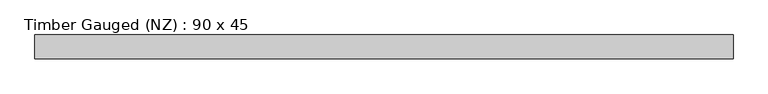
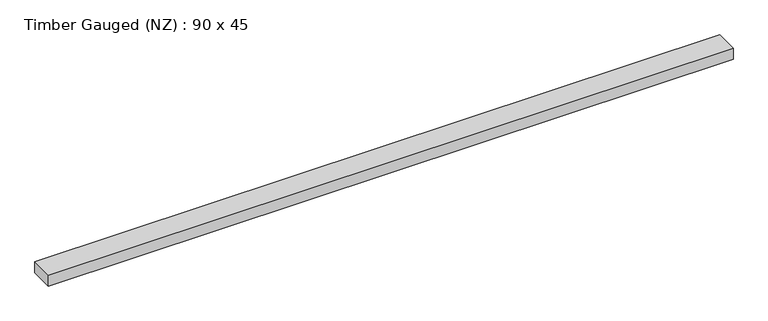
"""IFC4 building model written with IfcOpenShell, lengths in millimetres: beam geometry, Timber Gauged (NZ) : 90 x 45."""

from ifc_helpers import new_model, si_unit, frame, origin, place, context, project, spatial, polyline, outline, extrude, source, transform, mapped, element, save


def timber_gauged_nz_90_x_45_1150c088(model_context):
    return source(origin(), model_context, "Body", "SweptSolid", [
        extrude(outline(polyline([(1320.0, 45.0), (1320.0, -45.0), (-1320.0, -45.0), (-1320.0, 45.0), (1320.0, 45.0)])), frame((0.0, 0.0, -22.5), z_axis=(0.0, 0.0, 1.0), x_axis=(1.0, 0.0, 0.0)), (0.0, 0.0, 1.0), 45.0),
    ])


if __name__ == "__main__":
    model = new_model("IFC4")
    model_context = context("Model", 3, world=origin())
    ifc_project = project(units=[si_unit("LENGTHUNIT", "METRE", prefix="MILLI")], contexts=[model_context])
    site = spatial("IfcSite", under=ifc_project)
    building = spatial("IfcBuilding", under=site)
    placement = place(None, origin())
    timber_gauged_nz_90_x_45_shape = timber_gauged_nz_90_x_45_1150c088(model_context)
    element("IfcBeam", 1, ObjectType="Timber Gauged (NZ) : 90 x 45", at=placement, inside=building, context=model_context, shape_type="MappedRepresentation", body=[
        mapped(timber_gauged_nz_90_x_45_shape, transform((0.0, 0.0, 0.0), x_axis=(1.0, 0.0, 0.0), y_axis=(0.0, 1.0, 0.0), z_axis=(0.0, 0.0, 1.0))),
    ])
    save(model, "model.ifc")
